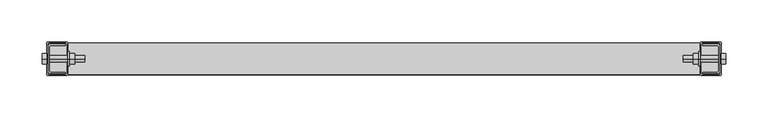
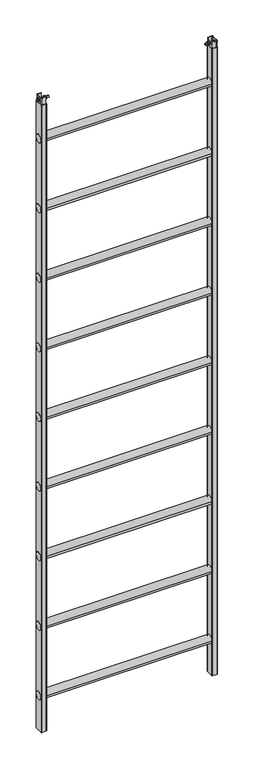
"""IFC4 building model written with IfcOpenShell, lengths in millimetres: proxy geometry."""

import ifcopenshell
import ifcopenshell.guid

model = None  # the IFC model being written
_history = None  # IfcOwnerHistory: only IFC2X3 demands one
_inside = {}  # id of a spatial element -> (the spatial element, [elements in it])
_under = {}  # id of a project, library or spatial element -> (it, [spatial elements below it])
_declared = {}  # id of a project -> (the project, [libraries it declares])
_typed = {}  # id of a type object -> (the type object, [elements of that type])
_made_of = {}  # id of a material, layer set ... -> (it, [elements and type objects made of it])


def new_model(schema):
    """Start an empty IFC model of exactly this schema.

    Asked for "IFC4X3", IfcOpenShell would pick the latest addendum, in which some entities
    have other attributes; the version numbers below select the first issue.
    IFC2X3 requires an IfcOwnerHistory on every rooted entity: one is made here for all.
    """
    global model, _history
    if schema == "IFC4X3":
        model = ifcopenshell.file(schema_version=(4, 3, 0, 0))
    else:
        model = ifcopenshell.file(schema=schema)
    _inside.clear()
    _under.clear()
    _declared.clear()
    _typed.clear()
    _made_of.clear()
    _history = None
    if model.schema == "IFC2X3":
        org = make("IfcOrganization", Name="unknown")
        user = make(
            "IfcPersonAndOrganization",
            ThePerson=make("IfcPerson", FamilyName="unknown"),
            TheOrganization=org,
        )
        app = make(
            "IfcApplication",
            ApplicationDeveloper=org,
            Version="unknown",
            ApplicationFullName="unknown",
            ApplicationIdentifier="unknown",
        )
        _history = make(
            "IfcOwnerHistory",
            OwningUser=user,
            OwningApplication=app,
            ChangeAction="ADDED",
            CreationDate=0,
        )
    return model


def make(cls, **values):
    """One entity of the class cls with the attributes given. An attribute that is None is left unset."""
    return model.create_entity(
        cls, **{name: value for name, value in values.items() if value is not None}
    )


def rooted(cls, **values):
    """An entity with a GlobalId (a new one), such as an element, a storey or a relation."""
    return make(cls, GlobalId=ifcopenshell.guid.new(), OwnerHistory=_history, **values)


def si_unit(unit_type, name, prefix=None):
    """IfcSIUnit, for example si_unit("LENGTHUNIT", "METRE", prefix="MILLI")."""
    return make("IfcSIUnit", UnitType=unit_type, Prefix=prefix, Name=name)


def assignment(units):
    """IfcUnitAssignment: the units of a project."""
    return None if units is None else make("IfcUnitAssignment", Units=units)


def point(xyz):
    """IfcCartesianPoint."""
    return None if xyz is None else make("IfcCartesianPoint", Coordinates=xyz)


def direction(xyz):
    """IfcDirection."""
    return None if xyz is None else make("IfcDirection", DirectionRatios=xyz)


def frame(location, z_axis=None, x_axis=None):
    """IfcAxis2Placement3D, a coordinate frame: its origin and axes. An axis left out is left unset."""
    return make(
        "IfcAxis2Placement3D",
        Location=point(location),
        Axis=direction(z_axis),
        RefDirection=direction(x_axis),
    )


def frame_2d(location, x_axis=None):
    """IfcAxis2Placement2D, a coordinate frame in the plane: its origin and x axis."""
    return make(
        "IfcAxis2Placement2D", Location=point(location), RefDirection=direction(x_axis)
    )


def origin():
    """The frame at (0, 0, 0) with its axes left unset."""
    return frame((0.0, 0.0, 0.0))


def origin_with_axes():
    """The frame at (0, 0, 0) with the z axis (0, 0, 1) and the x axis (1, 0, 0) written out."""
    return frame((0.0, 0.0, 0.0), z_axis=(0.0, 0.0, 1.0), x_axis=(1.0, 0.0, 0.0))


def place(relative_to, where):
    """IfcLocalPlacement: puts the frame where relative to a parent placement (None: the world)."""
    return make(
        "IfcLocalPlacement", PlacementRelTo=relative_to, RelativePlacement=where
    )


def context(
    kind, dimensions, precision=None, world=None, true_north=None, identifier=None
):
    """IfcGeometricRepresentationContext, for example the 3D "Model" context."""
    return make(
        "IfcGeometricRepresentationContext",
        ContextIdentifier=identifier,
        ContextType=kind,
        CoordinateSpaceDimension=dimensions,
        Precision=precision,
        WorldCoordinateSystem=world,
        TrueNorth=true_north,
    )


def project(units=None, contexts=None):
    """IfcProject with its units and contexts."""
    return rooted(
        "IfcProject",
        Name="project",
        RepresentationContexts=contexts,
        UnitsInContext=assignment(units),
    )


def spatial(cls, under=None, at=None, **own):
    """A site, building, storey or space (cls), placed at a placement, below another one or the project."""
    s = rooted(cls, ObjectPlacement=at, **own)
    if under is not None:
        _under.setdefault(under.id(), (under, []))[1].append(s)
    return s


def polyline(points):
    """IfcPolyline through the points."""
    return make("IfcPolyline", Points=[point(p) for p in points])


def circle_curve(where, radius):
    """IfcCircle in the frame where."""
    return make("IfcCircle", Position=where, Radius=radius)


def trimmed(basis, trim1, trim2, sense, master):
    """IfcTrimmedCurve: the piece of a basis curve between two trims."""
    return make(
        "IfcTrimmedCurve",
        BasisCurve=basis,
        Trim1=trim1,
        Trim2=trim2,
        SenseAgreement=sense,
        MasterRepresentation=master,
    )


def segment(curve, same_sense, transition):
    """IfcCompositeCurveSegment."""
    return make(
        "IfcCompositeCurveSegment",
        Transition=transition,
        SameSense=same_sense,
        ParentCurve=curve,
    )


def composite_curve(segments, self_intersect=None):
    """IfcCompositeCurve: segments joined end to end."""
    return make("IfcCompositeCurve", Segments=segments, SelfIntersect=self_intersect)


def outline(outer, holes=None, kind="AREA"):
    """IfcArbitraryClosedProfileDef: a profile drawn as a closed curve; with holes, ...WithVoids."""
    if holes is None:
        return make("IfcArbitraryClosedProfileDef", ProfileType=kind, OuterCurve=outer)
    return make(
        "IfcArbitraryProfileDefWithVoids",
        ProfileType=kind,
        OuterCurve=outer,
        InnerCurves=holes,
    )


def extrude(swept, where, along, depth):
    """IfcExtrudedAreaSolid: the profile swept, set in the frame where, extruded along a direction by depth."""
    return make(
        "IfcExtrudedAreaSolid",
        SweptArea=swept,
        Position=where,
        ExtrudedDirection=direction(along),
        Depth=depth,
    )


def shape(context_of_items, identifier, shape_type, items):
    """IfcShapeRepresentation: the items that make up one representation, for example the "Body"."""
    return make(
        "IfcShapeRepresentation",
        ContextOfItems=context_of_items,
        RepresentationIdentifier=identifier,
        RepresentationType=shape_type,
        Items=items,
    )


def source(mapping_origin, context_of_items, identifier, shape_type, items):
    """IfcRepresentationMap: a shape defined once, which mapped items show again and again."""
    return make(
        "IfcRepresentationMap",
        MappingOrigin=mapping_origin,
        MappedRepresentation=shape(context_of_items, identifier, shape_type, items),
    )


def transform(
    local_origin,
    x_axis=None,
    y_axis=None,
    z_axis=None,
    scale=None,
    scale2=None,
    scale3=None,
    uniform=True,
):
    """IfcCartesianTransformationOperator3D, or its non-uniform kind. x_axis, y_axis, z_axis: its Axis1, 2, 3."""
    if uniform:
        return make(
            "IfcCartesianTransformationOperator3D",
            Axis1=direction(x_axis),
            Axis2=direction(y_axis),
            LocalOrigin=point(local_origin),
            Scale=scale,
            Axis3=direction(z_axis),
        )
    return make(
        "IfcCartesianTransformationOperator3DnonUniform",
        Axis1=direction(x_axis),
        Axis2=direction(y_axis),
        LocalOrigin=point(local_origin),
        Scale=scale,
        Axis3=direction(z_axis),
        Scale2=scale2,
        Scale3=scale3,
    )


def mapped(mapping_source, mapping_target):
    """IfcMappedItem: shows the shape of a source again, moved by a transform."""
    return make(
        "IfcMappedItem", MappingSource=mapping_source, MappingTarget=mapping_target
    )


def made_of(thing, what):
    """Note that an element or type object is made of a material, layer set ...; save() writes the relation."""
    if what is not None:
        _made_of.setdefault(what.id(), (what, []))[1].append(thing)
    return thing


def element(
    cls,
    number,
    at=None,
    inside=None,
    cuts=None,
    type_object=None,
    material=None,
    context=None,
    identifier="Body",
    shape_type=None,
    held_by="IfcProductDefinitionShape",
    body=None,
    shapes=None,
    **own,
):
    """One element of the class cls, such as IfcWall. Its Tag is "e" and its number.

    at: its placement. inside: the storey or other place that contains it. cuts: it is an
    opening in that element (IfcRelVoidsElement). A single representation is given by context,
    identifier, shape_type and body (its items); several are given by shapes. held_by: the class
    of the entity that holds the representations. save() writes the other relations.
    """
    e = rooted(cls, Tag="e%d" % number, ObjectPlacement=at, **own)
    if body is not None:
        shapes = [shape(context, identifier, shape_type, body)]
    if shapes is not None:
        e.Representation = make(held_by, Representations=shapes)
    if inside is not None:
        _inside.setdefault(inside.id(), (inside, []))[1].append(e)
    if cuts is not None:
        rooted(
            "IfcRelVoidsElement", RelatingBuildingElement=cuts, RelatedOpeningElement=e
        )
    if type_object is not None:
        _typed.setdefault(type_object.id(), (type_object, []))[1].append(e)
    return made_of(e, material)


def aggregate(whole, parts):
    """IfcRelAggregates: a whole, such as a stair, and the parts it consists of."""
    return rooted("IfcRelAggregates", RelatingObject=whole, RelatedObjects=parts)


def save(model, path):
    """Write the relations noted so far, then the file.

    IfcRelAggregates (storeys below a building ...), IfcRelContainedInSpatialStructure (elements
    in a storey), IfcRelDefinesByType, IfcRelAssociatesMaterial and IfcRelDeclares: one each for
    every whole, place, type object, material and project.
    """
    for whole, parts in _under.values():
        aggregate(whole, parts)
    for where, things in _inside.values():
        rooted(
            "IfcRelContainedInSpatialStructure",
            RelatedElements=things,
            RelatingStructure=where,
        )
    for kind, things in _typed.values():
        rooted("IfcRelDefinesByType", RelatedObjects=things, RelatingType=kind)
    for what, things in _made_of.values():
        rooted("IfcRelAssociatesMaterial", RelatedObjects=things, RelatingMaterial=what)
    for by, libraries in _declared.values():
        rooted("IfcRelDeclares", RelatingContext=by, RelatedDefinitions=libraries)
    model.write(path)


def plane_surface(at):
    """IfcPlane: the flat surface through the origin of the frame at, square to its z axis."""
    return make("IfcPlane", Position=at)


def cylinder_surface(at, radius):
    """IfcCylindricalSurface: all points at the distance radius from the z axis of the frame at."""
    return make("IfcCylindricalSurface", Position=at, Radius=radius)


def advanced_brep(points, edges, surfaces, faces):
    """IfcAdvancedBrep: a solid bounded by faces that lie on surfaces and meet in shared edges.

    An edge is (start, end): straight between two places in points (the first is 0);
    or (start, end, curve); or (start, end, curve, False) where it runs against its curve.
    A face is (place in surfaces, loops), or (place, loops, False) where it looks against
    its surface's normal. A loop lists edges by number (the first is 1), with a minus sign
    where the edge is run from its end to its start. The first loop is the outer one.
    """
    corners = [point(p) for p in points]
    vertices = [make("IfcVertexPoint", VertexGeometry=c) for c in corners]
    made = []
    for start, end, *more in edges:
        made.append(
            make(
                "IfcEdgeCurve",
                EdgeStart=vertices[start],
                EdgeEnd=vertices[end],
                EdgeGeometry=more[0] if more else make("IfcPolyline", Points=[corners[start], corners[end]]),
                SameSense=more[1] if len(more) > 1 else True,
            )
        )
    hull = []
    for where, loops, *sense in faces:
        bounds = []
        for j, loop in enumerate(loops):
            ring = [make("IfcOrientedEdge", EdgeElement=made[abs(k) - 1], Orientation=k > 0) for k in loop]
            bounds.append(
                make(
                    "IfcFaceOuterBound" if j == 0 else "IfcFaceBound",
                    Bound=make("IfcEdgeLoop", EdgeList=ring),
                    Orientation=True,
                )
            )
        hull.append(make("IfcAdvancedFace", Bounds=bounds, FaceSurface=surfaces[where], SameSense=sense[0] if sense else True))
    return make("IfcAdvancedBrep", Outer=make("IfcClosedShell", CfsFaces=hull))


def generic_models_626ec093(model_context):
    return source(origin(), model_context, "Body", "SolidModel", [
        extrude(outline(polyline([(-6.5, 3020.7527767), (0.0, 3024.5055535), (6.5, 3020.7527767), (6.5, 3013.2472233), (0.0, 3009.4944465), (-6.5, 3013.2472233), (-6.5, 3020.7527767)])), frame((-405.5, 0.0, 0.0), z_axis=(1.0, 0.0, 0.0), x_axis=(0.0, 1.0, 0.0)), (0.0, 0.0, 1.0), 5.5),
        extrude(outline(polyline([(-6.5, 3020.7527767), (0.0, 3024.5055535), (6.5, 3020.7527767), (6.5, 3013.2472233), (0.0, 3009.4944465), (-6.5, 3013.2472233), (-6.5, 3020.7527767)])), frame((366.9, 0.0, 0.0), z_axis=(1.0, 0.0, 0.0), x_axis=(0.0, 1.0, 0.0)), (0.0, 0.0, 1.0), 6.5),
        extrude(outline(polyline([(-6.5, 3020.7527767), (0.0, 3024.5055535), (6.5, 3020.7527767), (6.5, 3013.2472233), (0.0, 3009.4944465), (-6.5, 3013.2472233), (-6.5, 3020.7527767)])), frame((400.0, 0.0, 0.0), z_axis=(1.0, 0.0, 0.0), x_axis=(0.0, 1.0, 0.0)), (0.0, 0.0, 1.0), 5.5),
        extrude(outline(polyline([(-6.5, 3020.7527767), (0.0, 3024.5055535), (6.5, 3020.7527767), (6.5, 3013.2472233), (0.0, 3009.4944465), (-6.5, 3013.2472233), (-6.5, 3020.7527767)])), frame((-373.4, 0.0, 0.0), z_axis=(1.0, 0.0, 0.0), x_axis=(0.0, 1.0, 0.0)), (0.0, 0.0, 1.0), 6.5),
        advanced_brep(
        [(-373.4, 0.0, 3012.999724), (-373.4, 0.0, 3021.000276), (-355.0, 0.0, 3021.000276), (-355.0, 0.0, 3012.999724), (-375.0, 0.0, 3012.999724), (-375.0, 0.0, 3021.000276), (-375.0, 0.0, 3025.5), (-375.0, 0.0, 3008.5), (-373.4, 0.0, 3025.5), (-373.4, 0.0, 3008.5), (-400.0, 0.0, 3012.999724), (-400.0, 0.0, 3021.000276), (-400.0, 0.0, 3017.0), (-355.0, 0.0, 3017.0)],
        [
            (0, 1, circle_curve(frame((-373.4, 0.0, 3017.0), z_axis=(1.0, 0.0, 0.0), x_axis=(0.0, 0.0, 1.0)), 4.000276)),
            (1, 2),
            (2, 3, circle_curve(frame((-355.0, 0.0, 3017.0), z_axis=(-1.0, 0.0, 0.0), x_axis=(0.0, 0.0, 1.0)), 4.000276)),
            (3, 0),
            (4, 5, circle_curve(frame((-375.0, 0.0, 3017.0), z_axis=(1.0, 0.0, 0.0), x_axis=(0.0, 0.0, 1.0)), 4.000276)),
            (5, 6),
            (6, 7, circle_curve(frame((-375.0, 0.0, 3017.0), z_axis=(-1.0, 0.0, 0.0), x_axis=(0.0, 0.0, 1.0)), 8.5)),
            (7, 4),
            (6, 8),
            (8, 9, circle_curve(frame((-373.4, 0.0, 3017.0), z_axis=(-1.0, 0.0, 0.0), x_axis=(0.0, 0.0, 1.0)), 8.5)),
            (9, 7),
            (8, 1),
            (0, 9),
            (10, 11, circle_curve(frame((-400.0, 0.0, 3017.0), z_axis=(1.0, 0.0, 0.0), x_axis=(0.0, 0.0, 1.0)), 4.000276)),
            (11, 5),
            (4, 10),
            (1, 0, circle_curve(frame((-373.4, 0.0, 3017.0), z_axis=(1.0, 0.0, 0.0), x_axis=(0.0, 0.0, 1.0)), 4.000276)),
            (3, 2, circle_curve(frame((-355.0, 0.0, 3017.0), z_axis=(-1.0, 0.0, 0.0), x_axis=(0.0, 0.0, 1.0)), 4.000276)),
            (8, 9, circle_curve(frame((-373.4, 0.0, 3017.0), z_axis=(1.0, 0.0, 0.0), x_axis=(0.0, 0.0, 1.0)), 8.5)),
            (6, 7, circle_curve(frame((-375.0, 0.0, 3017.0), z_axis=(1.0, 0.0, 0.0), x_axis=(0.0, 0.0, 1.0)), 8.5)),
            (5, 4, circle_curve(frame((-375.0, 0.0, 3017.0), z_axis=(1.0, 0.0, 0.0), x_axis=(0.0, 0.0, 1.0)), 4.000276)),
            (11, 10, circle_curve(frame((-400.0, 0.0, 3017.0), z_axis=(1.0, 0.0, 0.0), x_axis=(0.0, 0.0, 1.0)), 4.000276)),
            (12, 11),
            (10, 12),
            (2, 13),
            (13, 3),
        ],
        [
            cylinder_surface(frame((-1045.0977595, 0.0, 3017.0), z_axis=(-1.0, 0.0, 0.0), x_axis=(0.0, 0.0, 1.0)), 4.000276),
            plane_surface(frame((-375.0, 0.0, 3017.0), z_axis=(-1.0, 0.0, 0.0), x_axis=(0.0, 0.0, 1.0))),
            cylinder_surface(frame((-1045.0977595, 0.0, 3017.0), z_axis=(-1.0, 0.0, 0.0), x_axis=(0.0, 0.0, 1.0)), 8.5),
            plane_surface(frame((-373.4, 0.0, 3017.0), z_axis=(1.0, 0.0, 0.0), x_axis=(0.0, 0.0, 1.0))),
            plane_surface(frame((-400.0, 0.0, 3017.0), z_axis=(-1.0, 0.0, 0.0), x_axis=(0.0, 0.0, 1.0))),
            plane_surface(frame((-355.0, 0.0, 3017.0), z_axis=(1.0, 0.0, 0.0), x_axis=(0.0, 0.0, 1.0))),
        ],
        [
            (0, [[1, 2, 3, 4]]),
            (1, [[5, 6, 7, 8]]),
            (2, [[-7, 9, 10, 11]]),
            (3, [[-10, 12, -1, 13]]),
            (0, [[14, 15, -5, 16]]),
            (0, [[17, -4, 18, -2]]),
            (3, [[19, -13, -17, -12]]),
            (2, [[20, -11, -19, -9]]),
            (1, [[21, -8, -20, -6]]),
            (0, [[22, -16, -21, -15]]),
            (4, [[23, -14, 24]]),
            (4, [[-24, -22, -23]]),
            (5, [[-3, 25, 26]]),
            (5, [[-18, -26, -25]]),
        ],
    ),
        advanced_brep(
        [(355.0, 0.0, 3017.0), (355.0, 0.0, 3021.000276), (355.0, 0.0, 3012.999724), (373.4, 0.0, 3021.000276), (373.4, 0.0, 3012.999724), (400.0, 0.0, 3012.999724), (400.0, 0.0, 3021.000276), (400.0, 0.0, 3017.0), (375.0, 0.0, 3008.5), (375.0, 0.0, 3025.5), (375.0, 0.0, 3021.000276), (375.0, 0.0, 3012.999724), (373.4, 0.0, 3008.5), (373.4, 0.0, 3025.5)],
        [
            (0, 1),
            (1, 2, circle_curve(frame((355.0, 0.0, 3017.0), z_axis=(-1.0, 0.0, 0.0), x_axis=(0.0, 0.0, 1.0)), 4.000276)),
            (2, 0),
            (1, 3),
            (3, 4, circle_curve(frame((373.4, 0.0, 3017.0), z_axis=(-1.0, 0.0, 0.0), x_axis=(0.0, 0.0, 1.0)), 4.000276)),
            (4, 2),
            (5, 6, circle_curve(frame((400.0, 0.0, 3017.0), z_axis=(1.0, 0.0, 0.0), x_axis=(0.0, 0.0, 1.0)), 4.000276)),
            (6, 7),
            (7, 5),
            (8, 9, circle_curve(frame((375.0, 0.0, 3017.0), z_axis=(1.0, 0.0, 0.0), x_axis=(0.0, 0.0, 1.0)), 8.5)),
            (9, 10),
            (10, 11, circle_curve(frame((375.0, 0.0, 3017.0), z_axis=(-1.0, 0.0, 0.0), x_axis=(0.0, 0.0, 1.0)), 4.000276)),
            (11, 8),
            (12, 13, circle_curve(frame((373.4, 0.0, 3017.0), z_axis=(1.0, 0.0, 0.0), x_axis=(0.0, 0.0, 1.0)), 8.5)),
            (13, 9),
            (8, 12),
            (3, 13),
            (12, 4),
            (2, 1, circle_curve(frame((355.0, 0.0, 3017.0), z_axis=(-1.0, 0.0, 0.0), x_axis=(0.0, 0.0, 1.0)), 4.000276)),
            (6, 5, circle_curve(frame((400.0, 0.0, 3017.0), z_axis=(1.0, 0.0, 0.0), x_axis=(0.0, 0.0, 1.0)), 4.000276)),
            (10, 6),
            (5, 11),
            (10, 11, circle_curve(frame((375.0, 0.0, 3017.0), z_axis=(1.0, 0.0, 0.0), x_axis=(0.0, 0.0, 1.0)), 4.000276)),
            (9, 8, circle_curve(frame((375.0, 0.0, 3017.0), z_axis=(1.0, 0.0, 0.0), x_axis=(0.0, 0.0, 1.0)), 8.5)),
            (13, 12, circle_curve(frame((373.4, 0.0, 3017.0), z_axis=(1.0, 0.0, 0.0), x_axis=(0.0, 0.0, 1.0)), 8.5)),
            (3, 4, circle_curve(frame((373.4, 0.0, 3017.0), z_axis=(1.0, 0.0, 0.0), x_axis=(0.0, 0.0, 1.0)), 4.000276)),
        ],
        [
            plane_surface(frame((355.0, 0.0, 3017.0), z_axis=(-1.0, 0.0, 0.0), x_axis=(0.0, 0.0, 1.0))),
            cylinder_surface(frame((-1045.0977595, 0.0, 3017.0), z_axis=(-1.0, 0.0, 0.0), x_axis=(0.0, 0.0, 1.0)), 4.000276),
            plane_surface(frame((400.0, 0.0, 3017.0), z_axis=(1.0, 0.0, 0.0), x_axis=(0.0, 0.0, 1.0))),
            plane_surface(frame((375.0, 0.0, 3017.0), z_axis=(1.0, 0.0, 0.0), x_axis=(0.0, 0.0, 1.0))),
            cylinder_surface(frame((-1045.0977595, 0.0, 3017.0), z_axis=(-1.0, 0.0, 0.0), x_axis=(0.0, 0.0, 1.0)), 8.5),
            plane_surface(frame((373.4, 0.0, 3017.0), z_axis=(-1.0, 0.0, 0.0), x_axis=(0.0, 0.0, 1.0))),
        ],
        [
            (0, [[1, 2, 3]]),
            (1, [[-2, 4, 5, 6]]),
            (2, [[7, 8, 9]]),
            (3, [[10, 11, 12, 13]]),
            (4, [[14, 15, -10, 16]]),
            (5, [[-5, 17, -14, 18]]),
            (0, [[-3, 19, -1]]),
            (2, [[20, -9, -8]]),
            (1, [[-12, 21, -7, 22]]),
            (1, [[23, -22, -20, -21]]),
            (3, [[24, -13, -23, -11]]),
            (4, [[25, -16, -24, -15]]),
            (5, [[26, -18, -25, -17]]),
            (1, [[-19, -6, -26, -4]]),
        ],
    ),
        extrude(outline(composite_curve([segment(trimmed(circle_curve(frame_2d((-395.5151666, 14.5151666)), 1.4848334), [point((-395.5151666, 16.0))], [point((-397.0, 14.5151666))], True, "CARTESIAN"), True, "CONTINUOUS"), segment(polyline([(-397.0, 14.5151666), (-397.0, -14.5)]), True, "CONTINUOUS"), segment(trimmed(circle_curve(frame_2d((-395.5, -14.5)), 1.5), [point((-397.0, -14.5))], [point((-395.5, -16.0))], True, "CARTESIAN"), True, "CONTINUOUS"), segment(polyline([(-395.5, -16.0), (-378.004148, -16.0), (-378.004148, -17.5), (-395.5497043, -17.5)]), True, "CONTINUOUS"), segment(trimmed(circle_curve(frame_2d((-395.5497043, -14.5497043)), 2.9502957), [point((-395.5497043, -17.5))], [point((-398.5, -14.5497043))], False, "CARTESIAN"), True, "CONTINUOUS"), segment(polyline([(-398.5, -14.5497043), (-398.5, 14.5108868)]), True, "CONTINUOUS"), segment(trimmed(circle_curve(frame_2d((-395.5108868, 14.5108868)), 2.9891132), [point((-398.5, 14.5108868))], [point((-395.5108868, 17.5))], False, "CARTESIAN"), True, "CONTINUOUS"), segment(polyline([(-395.5108868, 17.5), (-378.004148, 17.5), (-378.004148, 16.0), (-395.5151666, 16.0)]), True, "CONTINUOUS")], self_intersect=False)), frame((0.0, 0.0, 3000.0), z_axis=(0.0, 0.0, 1.0), x_axis=(1.0, 0.0, 0.0)), (0.0, 0.0, 1.0), 32.0),
        extrude(outline(composite_curve([segment(polyline([(395.5151666, 16.0), (378.004148, 16.0), (378.004148, 17.5), (395.5108868, 17.5)]), True, "CONTINUOUS"), segment(trimmed(circle_curve(frame_2d((395.5108868, 14.5108868)), 2.9891132), [point((395.5108868, 17.5))], [point((398.5, 14.5108868))], False, "CARTESIAN"), True, "CONTINUOUS"), segment(polyline([(398.5, 14.5108868), (398.5, -14.5497043)]), True, "CONTINUOUS"), segment(trimmed(circle_curve(frame_2d((395.5497043, -14.5497043)), 2.9502957), [point((398.5, -14.5497043))], [point((395.5497043, -17.5))], False, "CARTESIAN"), True, "CONTINUOUS"), segment(polyline([(395.5497043, -17.5), (378.004148, -17.5), (378.004148, -16.0), (395.5, -16.0)]), True, "CONTINUOUS"), segment(trimmed(circle_curve(frame_2d((395.5, -14.5)), 1.5), [point((395.5, -16.0))], [point((397.0, -14.5))], True, "CARTESIAN"), True, "CONTINUOUS"), segment(polyline([(397.0, -14.5), (397.0, 14.5151666)]), True, "CONTINUOUS"), segment(trimmed(circle_curve(frame_2d((395.5151666, 14.5151666)), 1.4848334), [point((397.0, 14.5151666))], [point((395.5151666, 16.0))], True, "CARTESIAN"), True, "CONTINUOUS")], self_intersect=False)), frame((0.0, 0.0, 3000.0), z_axis=(0.0, 0.0, 1.0), x_axis=(1.0, 0.0, 0.0)), (0.0, 0.0, 1.0), 32.0),
        extrude(outline(composite_curve([segment(trimmed(circle_curve(frame_2d((0.0, 2164.5028756)), 18.5), [point((-18.5, 2164.5028756))], [point((18.5, 2164.5028756))], False, "CARTESIAN"), True, "CONTINUOUS"), segment(trimmed(circle_curve(frame_2d((0.0, 2164.5028756)), 18.5), [point((18.5, 2164.5028756))], [point((-18.5, 2164.5028756))], False, "CARTESIAN"), True, "CONTINUOUS")], self_intersect=False)), frame((-400.0, 0.0, 0.0), z_axis=(1.0, 0.0, 0.0), x_axis=(0.0, 1.0, 0.0)), (0.0, 0.0, 1.0), 800.0),
        extrude(outline(composite_curve([segment(trimmed(circle_curve(frame_2d((0.0, 2497.5014378)), 18.5), [point((-18.5, 2497.5014378))], [point((18.5, 2497.5014378))], False, "CARTESIAN"), True, "CONTINUOUS"), segment(trimmed(circle_curve(frame_2d((0.0, 2497.5014378)), 18.5), [point((18.5, 2497.5014378))], [point((-18.5, 2497.5014378))], False, "CARTESIAN"), True, "CONTINUOUS")], self_intersect=False)), frame((-400.0, 0.0, 0.0), z_axis=(1.0, 0.0, 0.0), x_axis=(0.0, 1.0, 0.0)), (0.0, 0.0, 1.0), 800.0),
        extrude(outline(composite_curve([segment(trimmed(circle_curve(frame_2d((0.0, 2830.5)), 18.5), [point((-18.5, 2830.5))], [point((18.5, 2830.5))], False, "CARTESIAN"), True, "CONTINUOUS"), segment(trimmed(circle_curve(frame_2d((0.0, 2830.5)), 18.5), [point((18.5, 2830.5))], [point((-18.5, 2830.5))], False, "CARTESIAN"), True, "CONTINUOUS")], self_intersect=False)), frame((-400.0, 0.0, 0.0), z_axis=(1.0, 0.0, 0.0), x_axis=(0.0, 1.0, 0.0)), (0.0, 0.0, 1.0), 800.0),
        extrude(outline(composite_curve([segment(trimmed(circle_curve(frame_2d((0.0, 1165.507189)), 18.5), [point((-18.5, 1165.507189))], [point((18.5, 1165.507189))], False, "CARTESIAN"), True, "CONTINUOUS"), segment(trimmed(circle_curve(frame_2d((0.0, 1165.507189)), 18.5), [point((18.5, 1165.507189))], [point((-18.5, 1165.507189))], False, "CARTESIAN"), True, "CONTINUOUS")], self_intersect=False)), frame((-400.0, 0.0, 0.0), z_axis=(1.0, 0.0, 0.0), x_axis=(0.0, 1.0, 0.0)), (0.0, 0.0, 1.0), 800.0),
        extrude(outline(composite_curve([segment(trimmed(circle_curve(frame_2d((0.0, 1498.5057512)), 18.5), [point((-18.5, 1498.5057512))], [point((18.5, 1498.5057512))], False, "CARTESIAN"), True, "CONTINUOUS"), segment(trimmed(circle_curve(frame_2d((0.0, 1498.5057512)), 18.5), [point((18.5, 1498.5057512))], [point((-18.5, 1498.5057512))], False, "CARTESIAN"), True, "CONTINUOUS")], self_intersect=False)), frame((-400.0, 0.0, 0.0), z_axis=(1.0, 0.0, 0.0), x_axis=(0.0, 1.0, 0.0)), (0.0, 0.0, 1.0), 800.0),
        extrude(outline(composite_curve([segment(trimmed(circle_curve(frame_2d((0.0, 1831.5043134)), 18.5), [point((-18.5, 1831.5043134))], [point((18.5, 1831.5043134))], False, "CARTESIAN"), True, "CONTINUOUS"), segment(trimmed(circle_curve(frame_2d((0.0, 1831.5043134)), 18.5), [point((18.5, 1831.5043134))], [point((-18.5, 1831.5043134))], False, "CARTESIAN"), True, "CONTINUOUS")], self_intersect=False)), frame((-400.0, 0.0, 0.0), z_axis=(1.0, 0.0, 0.0), x_axis=(0.0, 1.0, 0.0)), (0.0, 0.0, 1.0), 800.0),
        extrude(outline(composite_curve([segment(trimmed(circle_curve(frame_2d((0.0, 166.5115025)), 18.5), [point((-18.5, 166.5115025))], [point((18.5, 166.5115025))], False, "CARTESIAN"), True, "CONTINUOUS"), segment(trimmed(circle_curve(frame_2d((0.0, 166.5115025)), 18.5), [point((18.5, 166.5115025))], [point((-18.5, 166.5115025))], False, "CARTESIAN"), True, "CONTINUOUS")], self_intersect=False)), frame((-400.0, 0.0, 0.0), z_axis=(1.0, 0.0, 0.0), x_axis=(0.0, 1.0, 0.0)), (0.0, 0.0, 1.0), 800.0),
        extrude(outline(composite_curve([segment(trimmed(circle_curve(frame_2d((0.0, 499.5100647)), 18.5), [point((-18.5, 499.5100647))], [point((18.5, 499.5100647))], False, "CARTESIAN"), True, "CONTINUOUS"), segment(trimmed(circle_curve(frame_2d((0.0, 499.5100647)), 18.5), [point((18.5, 499.5100647))], [point((-18.5, 499.5100647))], False, "CARTESIAN"), True, "CONTINUOUS")], self_intersect=False)), frame((-400.0, 0.0, 0.0), z_axis=(1.0, 0.0, 0.0), x_axis=(0.0, 1.0, 0.0)), (0.0, 0.0, 1.0), 800.0),
        extrude(outline(composite_curve([segment(trimmed(circle_curve(frame_2d((0.0, 832.5086268)), 18.5), [point((-18.5, 832.5086268))], [point((18.5, 832.5086268))], False, "CARTESIAN"), True, "CONTINUOUS"), segment(trimmed(circle_curve(frame_2d((0.0, 832.5086268)), 18.5), [point((18.5, 832.5086268))], [point((-18.5, 832.5086268))], False, "CARTESIAN"), True, "CONTINUOUS")], self_intersect=False)), frame((-400.0, 0.0, 0.0), z_axis=(1.0, 0.0, 0.0), x_axis=(0.0, 1.0, 0.0)), (0.0, 0.0, 1.0), 800.0),
        extrude(outline(composite_curve([segment(trimmed(circle_curve(frame_2d((-398.5, 18.5)), 1.5), [point((-400.0, 18.5))], [point((-398.5, 20.0))], False, "CARTESIAN"), True, "CONTINUOUS"), segment(polyline([(-398.5, 20.0), (-376.5, 20.0)]), True, "CONTINUOUS"), segment(trimmed(circle_curve(frame_2d((-376.5, 18.5)), 1.5), [point((-376.5, 20.0))], [point((-375.0, 18.5))], False, "CARTESIAN"), True, "CONTINUOUS"), segment(polyline([(-375.0, 18.5), (-375.0, -18.4942835)]), True, "CONTINUOUS"), segment(trimmed(circle_curve(frame_2d((-376.5057165, -18.4942835)), 1.5057165), [point((-375.0, -18.4942835))], [point((-376.5057165, -20.0))], False, "CARTESIAN"), True, "CONTINUOUS"), segment(polyline([(-376.5057165, -20.0), (-398.5, -20.0)]), True, "CONTINUOUS"), segment(trimmed(circle_curve(frame_2d((-398.5, -18.5)), 1.5), [point((-398.5, -20.0))], [point((-400.0, -18.5))], False, "CARTESIAN"), True, "CONTINUOUS"), segment(polyline([(-400.0, -18.5), (-400.0, 18.5)]), True, "CONTINUOUS")], self_intersect=False), holes=[composite_curve([segment(polyline([(-398.5, 17.1), (-398.5, -17.1)]), True, "CONTINUOUS"), segment(trimmed(circle_curve(frame_2d((-397.1, -17.1)), 1.4), [point((-398.5, -17.1))], [point((-397.1, -18.5))], True, "CARTESIAN"), True, "CONTINUOUS"), segment(polyline([(-397.1, -18.5), (-377.9245905, -18.5)]), True, "CONTINUOUS"), segment(trimmed(circle_curve(frame_2d((-377.9245905, -17.0754095)), 1.4245905), [point((-377.9245905, -18.5))], [point((-376.5, -17.0754095))], True, "CARTESIAN"), True, "CONTINUOUS"), segment(polyline([(-376.5, -17.0754095), (-376.5, 17.1270844)]), True, "CONTINUOUS"), segment(trimmed(circle_curve(frame_2d((-377.8729156, 17.1270844)), 1.3729156), [point((-376.5, 17.1270844))], [point((-377.8729156, 18.5))], True, "CARTESIAN"), True, "CONTINUOUS"), segment(polyline([(-377.8729156, 18.5), (-397.1, 18.5)]), True, "CONTINUOUS"), segment(trimmed(circle_curve(frame_2d((-397.1, 17.1)), 1.4), [point((-397.1, 18.5))], [point((-398.5, 17.1))], True, "CARTESIAN"), True, "CONTINUOUS")], self_intersect=False)]), origin_with_axes(), (0.0, 0.0, 1.0), 3000.0),
        extrude(outline(composite_curve([segment(polyline([(400.0, 18.5), (400.0, -18.5)]), True, "CONTINUOUS"), segment(trimmed(circle_curve(frame_2d((398.5, -18.5)), 1.5), [point((400.0, -18.5))], [point((398.5, -20.0))], False, "CARTESIAN"), True, "CONTINUOUS"), segment(polyline([(398.5, -20.0), (376.5057165, -20.0)]), True, "CONTINUOUS"), segment(trimmed(circle_curve(frame_2d((376.5057165, -18.4942835)), 1.5057165), [point((376.5057165, -20.0))], [point((375.0, -18.4942835))], False, "CARTESIAN"), True, "CONTINUOUS"), segment(polyline([(375.0, -18.4942835), (375.0, 18.5)]), True, "CONTINUOUS"), segment(trimmed(circle_curve(frame_2d((376.5, 18.5)), 1.5), [point((375.0, 18.5))], [point((376.5, 20.0))], False, "CARTESIAN"), True, "CONTINUOUS"), segment(polyline([(376.5, 20.0), (398.5, 20.0)]), True, "CONTINUOUS"), segment(trimmed(circle_curve(frame_2d((398.5, 18.5)), 1.5), [point((398.5, 20.0))], [point((400.0, 18.5))], False, "CARTESIAN"), True, "CONTINUOUS")], self_intersect=False), holes=[composite_curve([segment(trimmed(circle_curve(frame_2d((397.1, 17.1)), 1.4), [point((398.5, 17.1))], [point((397.1, 18.5))], True, "CARTESIAN"), True, "CONTINUOUS"), segment(polyline([(397.1, 18.5), (377.8729156, 18.5)]), True, "CONTINUOUS"), segment(trimmed(circle_curve(frame_2d((377.8729156, 17.1270844)), 1.3729156), [point((377.8729156, 18.5))], [point((376.5, 17.1270844))], True, "CARTESIAN"), True, "CONTINUOUS"), segment(polyline([(376.5, 17.1270844), (376.5, -17.0754095)]), True, "CONTINUOUS"), segment(trimmed(circle_curve(frame_2d((377.9245905, -17.0754095)), 1.4245905), [point((376.5, -17.0754095))], [point((377.9245905, -18.5))], True, "CARTESIAN"), True, "CONTINUOUS"), segment(polyline([(377.9245905, -18.5), (397.1, -18.5)]), True, "CONTINUOUS"), segment(trimmed(circle_curve(frame_2d((397.1, -17.1)), 1.4), [point((397.1, -18.5))], [point((398.5, -17.1))], True, "CARTESIAN"), True, "CONTINUOUS"), segment(polyline([(398.5, -17.1), (398.5, 17.1)]), True, "CONTINUOUS")], self_intersect=False)]), origin_with_axes(), (0.0, 0.0, 1.0), 3000.0),
    ])


if __name__ == "__main__":
    model = new_model("IFC4")
    model_context = context("Model", 3, world=origin())
    ifc_project = project(units=[si_unit("LENGTHUNIT", "METRE", prefix="MILLI")], contexts=[model_context])
    site = spatial("IfcSite", under=ifc_project)
    building = spatial("IfcBuilding", under=site)
    placement = place(None, origin())
    generic_models_shape = generic_models_626ec093(model_context)
    element("IfcBuildingElementProxy", 1, Name="Generic Models", at=placement, inside=building, context=model_context, shape_type="MappedRepresentation", body=[
        mapped(generic_models_shape, transform((0.0, 0.0, 0.0), x_axis=(1.0, 0.0, 0.0), y_axis=(0.0, 1.0, 0.0), z_axis=(0.0, 0.0, 1.0))),
    ])
    save(model, "model.ifc")
